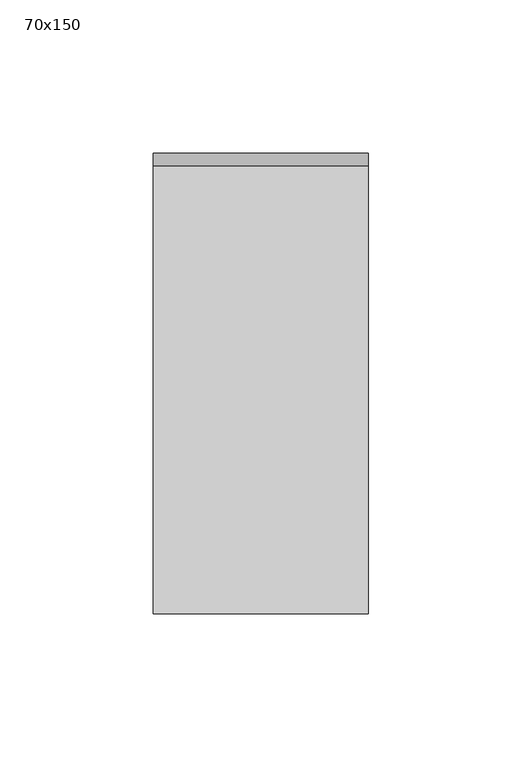
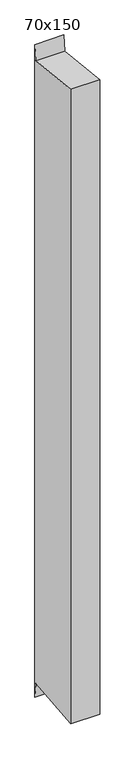
"""IFC4 building model written with IfcOpenShell, lengths in millimetres: member geometry, 70x150."""

from ifc_helpers import new_model, si_unit, frame, origin, place, context, project, spatial, polyline, outline, extrude, source, transform, mapped, element, save


def member_70x150_26f7ed37(model_context):
    return source(origin(), model_context, "Body", "SweptSolid", [
        extrude(outline(polyline([(-75.0, 7.6868246), (70.9325398, -7.6447511), (75.0, 31.0710865), (75.0, -1632.8198428), (70.9325398, -1594.1040053), (-75.0, -1609.435581), (-75.0, 7.6868246)])), frame((-70.0, 0.0, 0.0), z_axis=(1.0, 0.0, 0.0), x_axis=(0.0, 1.0, 0.0)), (0.0, 0.0, 1.0), 70.0),
    ])


if __name__ == "__main__":
    model = new_model("IFC4")
    model_context = context("Model", 3, world=origin())
    ifc_project = project(units=[si_unit("LENGTHUNIT", "METRE", prefix="MILLI")], contexts=[model_context])
    site = spatial("IfcSite", under=ifc_project)
    building = spatial("IfcBuilding", under=site)
    placement = place(None, origin())
    member_70x150_shape = member_70x150_26f7ed37(model_context)
    element("IfcMember", 1, ObjectType="70x150", at=placement, inside=building, context=model_context, shape_type="MappedRepresentation", body=[
        mapped(member_70x150_shape, transform((0.0, 0.0, 0.0), x_axis=(1.0, 0.0, 0.0), y_axis=(0.0, 1.0, 0.0), z_axis=(0.0, 0.0, 1.0))),
    ])
    save(model, "model.ifc")
